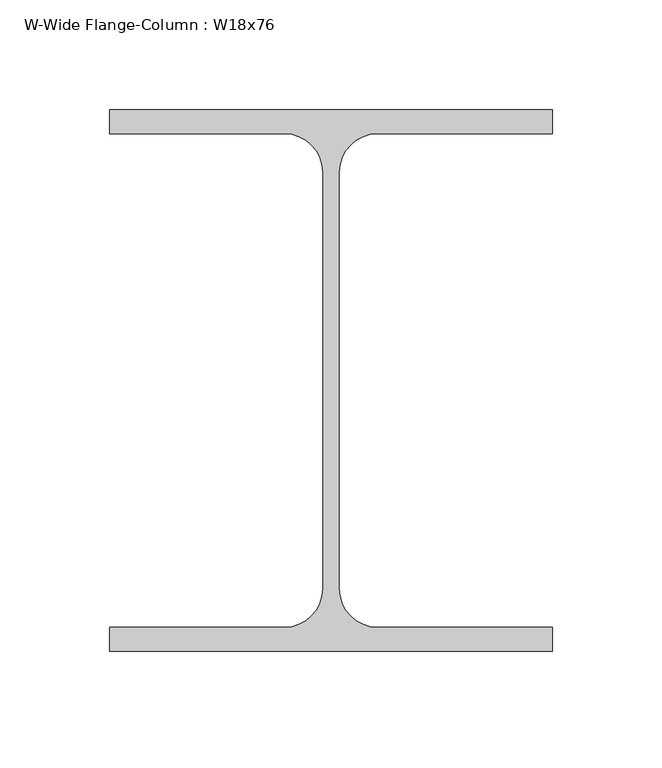
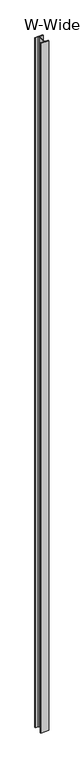
"""IFC4 building model written with IfcOpenShell, lengths in millimetres: column geometry, W-Wide Flange-Column : W18x76."""

import ifcopenshell
import ifcopenshell.guid

model = None  # the IFC model being written
_history = None  # IfcOwnerHistory: only IFC2X3 demands one
_inside = {}  # id of a spatial element -> (the spatial element, [elements in it])
_under = {}  # id of a project, library or spatial element -> (it, [spatial elements below it])
_declared = {}  # id of a project -> (the project, [libraries it declares])
_typed = {}  # id of a type object -> (the type object, [elements of that type])
_made_of = {}  # id of a material, layer set ... -> (it, [elements and type objects made of it])


def new_model(schema):
    """Start an empty IFC model of exactly this schema.

    Asked for "IFC4X3", IfcOpenShell would pick the latest addendum, in which some entities
    have other attributes; the version numbers below select the first issue.
    IFC2X3 requires an IfcOwnerHistory on every rooted entity: one is made here for all.
    """
    global model, _history
    if schema == "IFC4X3":
        model = ifcopenshell.file(schema_version=(4, 3, 0, 0))
    else:
        model = ifcopenshell.file(schema=schema)
    _inside.clear()
    _under.clear()
    _declared.clear()
    _typed.clear()
    _made_of.clear()
    _history = None
    if model.schema == "IFC2X3":
        org = make("IfcOrganization", Name="unknown")
        user = make(
            "IfcPersonAndOrganization",
            ThePerson=make("IfcPerson", FamilyName="unknown"),
            TheOrganization=org,
        )
        app = make(
            "IfcApplication",
            ApplicationDeveloper=org,
            Version="unknown",
            ApplicationFullName="unknown",
            ApplicationIdentifier="unknown",
        )
        _history = make(
            "IfcOwnerHistory",
            OwningUser=user,
            OwningApplication=app,
            ChangeAction="ADDED",
            CreationDate=0,
        )
    return model


def make(cls, **values):
    """One entity of the class cls with the attributes given. An attribute that is None is left unset."""
    return model.create_entity(
        cls, **{name: value for name, value in values.items() if value is not None}
    )


def rooted(cls, **values):
    """An entity with a GlobalId (a new one), such as an element, a storey or a relation."""
    return make(cls, GlobalId=ifcopenshell.guid.new(), OwnerHistory=_history, **values)


def si_unit(unit_type, name, prefix=None):
    """IfcSIUnit, for example si_unit("LENGTHUNIT", "METRE", prefix="MILLI")."""
    return make("IfcSIUnit", UnitType=unit_type, Prefix=prefix, Name=name)


def assignment(units):
    """IfcUnitAssignment: the units of a project."""
    return None if units is None else make("IfcUnitAssignment", Units=units)


def point(xyz):
    """IfcCartesianPoint."""
    return None if xyz is None else make("IfcCartesianPoint", Coordinates=xyz)


def direction(xyz):
    """IfcDirection."""
    return None if xyz is None else make("IfcDirection", DirectionRatios=xyz)


def frame(location, z_axis=None, x_axis=None):
    """IfcAxis2Placement3D, a coordinate frame: its origin and axes. An axis left out is left unset."""
    return make(
        "IfcAxis2Placement3D",
        Location=point(location),
        Axis=direction(z_axis),
        RefDirection=direction(x_axis),
    )


def frame_2d(location, x_axis=None):
    """IfcAxis2Placement2D, a coordinate frame in the plane: its origin and x axis."""
    return make(
        "IfcAxis2Placement2D", Location=point(location), RefDirection=direction(x_axis)
    )


def origin():
    """The frame at (0, 0, 0) with its axes left unset."""
    return frame((0.0, 0.0, 0.0))


def origin_with_axes():
    """The frame at (0, 0, 0) with the z axis (0, 0, 1) and the x axis (1, 0, 0) written out."""
    return frame((0.0, 0.0, 0.0), z_axis=(0.0, 0.0, 1.0), x_axis=(1.0, 0.0, 0.0))


def place(relative_to, where):
    """IfcLocalPlacement: puts the frame where relative to a parent placement (None: the world)."""
    return make(
        "IfcLocalPlacement", PlacementRelTo=relative_to, RelativePlacement=where
    )


def context(
    kind, dimensions, precision=None, world=None, true_north=None, identifier=None
):
    """IfcGeometricRepresentationContext, for example the 3D "Model" context."""
    return make(
        "IfcGeometricRepresentationContext",
        ContextIdentifier=identifier,
        ContextType=kind,
        CoordinateSpaceDimension=dimensions,
        Precision=precision,
        WorldCoordinateSystem=world,
        TrueNorth=true_north,
    )


def project(units=None, contexts=None):
    """IfcProject with its units and contexts."""
    return rooted(
        "IfcProject",
        Name="project",
        RepresentationContexts=contexts,
        UnitsInContext=assignment(units),
    )


def spatial(cls, under=None, at=None, **own):
    """A site, building, storey or space (cls), placed at a placement, below another one or the project."""
    s = rooted(cls, ObjectPlacement=at, **own)
    if under is not None:
        _under.setdefault(under.id(), (under, []))[1].append(s)
    return s


def polyline(points):
    """IfcPolyline through the points."""
    return make("IfcPolyline", Points=[point(p) for p in points])


def circle_curve(where, radius):
    """IfcCircle in the frame where."""
    return make("IfcCircle", Position=where, Radius=radius)


def trimmed(basis, trim1, trim2, sense, master):
    """IfcTrimmedCurve: the piece of a basis curve between two trims."""
    return make(
        "IfcTrimmedCurve",
        BasisCurve=basis,
        Trim1=trim1,
        Trim2=trim2,
        SenseAgreement=sense,
        MasterRepresentation=master,
    )


def segment(curve, same_sense, transition):
    """IfcCompositeCurveSegment."""
    return make(
        "IfcCompositeCurveSegment",
        Transition=transition,
        SameSense=same_sense,
        ParentCurve=curve,
    )


def composite_curve(segments, self_intersect=None):
    """IfcCompositeCurve: segments joined end to end."""
    return make("IfcCompositeCurve", Segments=segments, SelfIntersect=self_intersect)


def outline(outer, holes=None, kind="AREA"):
    """IfcArbitraryClosedProfileDef: a profile drawn as a closed curve; with holes, ...WithVoids."""
    if holes is None:
        return make("IfcArbitraryClosedProfileDef", ProfileType=kind, OuterCurve=outer)
    return make(
        "IfcArbitraryProfileDefWithVoids",
        ProfileType=kind,
        OuterCurve=outer,
        InnerCurves=holes,
    )


def extrude(swept, where, along, depth):
    """IfcExtrudedAreaSolid: the profile swept, set in the frame where, extruded along a direction by depth."""
    return make(
        "IfcExtrudedAreaSolid",
        SweptArea=swept,
        Position=where,
        ExtrudedDirection=direction(along),
        Depth=depth,
    )


def shape(context_of_items, identifier, shape_type, items):
    """IfcShapeRepresentation: the items that make up one representation, for example the "Body"."""
    return make(
        "IfcShapeRepresentation",
        ContextOfItems=context_of_items,
        RepresentationIdentifier=identifier,
        RepresentationType=shape_type,
        Items=items,
    )


def source(mapping_origin, context_of_items, identifier, shape_type, items):
    """IfcRepresentationMap: a shape defined once, which mapped items show again and again."""
    return make(
        "IfcRepresentationMap",
        MappingOrigin=mapping_origin,
        MappedRepresentation=shape(context_of_items, identifier, shape_type, items),
    )


def transform(
    local_origin,
    x_axis=None,
    y_axis=None,
    z_axis=None,
    scale=None,
    scale2=None,
    scale3=None,
    uniform=True,
):
    """IfcCartesianTransformationOperator3D, or its non-uniform kind. x_axis, y_axis, z_axis: its Axis1, 2, 3."""
    if uniform:
        return make(
            "IfcCartesianTransformationOperator3D",
            Axis1=direction(x_axis),
            Axis2=direction(y_axis),
            LocalOrigin=point(local_origin),
            Scale=scale,
            Axis3=direction(z_axis),
        )
    return make(
        "IfcCartesianTransformationOperator3DnonUniform",
        Axis1=direction(x_axis),
        Axis2=direction(y_axis),
        LocalOrigin=point(local_origin),
        Scale=scale,
        Axis3=direction(z_axis),
        Scale2=scale2,
        Scale3=scale3,
    )


def mapped(mapping_source, mapping_target):
    """IfcMappedItem: shows the shape of a source again, moved by a transform."""
    return make(
        "IfcMappedItem", MappingSource=mapping_source, MappingTarget=mapping_target
    )


def made_of(thing, what):
    """Note that an element or type object is made of a material, layer set ...; save() writes the relation."""
    if what is not None:
        _made_of.setdefault(what.id(), (what, []))[1].append(thing)
    return thing


def element(
    cls,
    number,
    at=None,
    inside=None,
    cuts=None,
    type_object=None,
    material=None,
    context=None,
    identifier="Body",
    shape_type=None,
    held_by="IfcProductDefinitionShape",
    body=None,
    shapes=None,
    **own,
):
    """One element of the class cls, such as IfcWall. Its Tag is "e" and its number.

    at: its placement. inside: the storey or other place that contains it. cuts: it is an
    opening in that element (IfcRelVoidsElement). A single representation is given by context,
    identifier, shape_type and body (its items); several are given by shapes. held_by: the class
    of the entity that holds the representations. save() writes the other relations.
    """
    e = rooted(cls, Tag="e%d" % number, ObjectPlacement=at, **own)
    if body is not None:
        shapes = [shape(context, identifier, shape_type, body)]
    if shapes is not None:
        e.Representation = make(held_by, Representations=shapes)
    if inside is not None:
        _inside.setdefault(inside.id(), (inside, []))[1].append(e)
    if cuts is not None:
        rooted(
            "IfcRelVoidsElement", RelatingBuildingElement=cuts, RelatedOpeningElement=e
        )
    if type_object is not None:
        _typed.setdefault(type_object.id(), (type_object, []))[1].append(e)
    return made_of(e, material)


def aggregate(whole, parts):
    """IfcRelAggregates: a whole, such as a stair, and the parts it consists of."""
    return rooted("IfcRelAggregates", RelatingObject=whole, RelatedObjects=parts)


def save(model, path):
    """Write the relations noted so far, then the file.

    IfcRelAggregates (storeys below a building ...), IfcRelContainedInSpatialStructure (elements
    in a storey), IfcRelDefinesByType, IfcRelAssociatesMaterial and IfcRelDeclares: one each for
    every whole, place, type object, material and project.
    """
    for whole, parts in _under.values():
        aggregate(whole, parts)
    for where, things in _inside.values():
        rooted(
            "IfcRelContainedInSpatialStructure",
            RelatedElements=things,
            RelatingStructure=where,
        )
    for kind, things in _typed.values():
        rooted("IfcRelDefinesByType", RelatedObjects=things, RelatingType=kind)
    for what, things in _made_of.values():
        rooted("IfcRelAssociatesMaterial", RelatedObjects=things, RelatingMaterial=what)
    for by, libraries in _declared.values():
        rooted("IfcRelDeclares", RelatingContext=by, RelatedDefinitions=libraries)
    model.write(path)


def w_wide_flange_column_w18x76_3943b35f(model_context):
    return source(origin(), model_context, "Body", "SweptSolid", [
        extrude(outline(composite_curve([segment(polyline([(101.1039062, 123.5769531), (101.1039062, 112.5636719), (21.2328125, 112.5636719)]), True, "CONTINUOUS"), segment(trimmed(circle_curve(frame_2d((21.2328125, 95.0019531)), 17.5617188), [point((21.2328125, 112.5636719))], [point((3.6710937, 95.0019531))], True, "CARTESIAN"), True, "CONTINUOUS"), segment(polyline([(3.6710937, 95.0019531), (3.6710937, -95.0019531)]), True, "CONTINUOUS"), segment(trimmed(circle_curve(frame_2d((21.2328125, -95.0019531)), 17.5617188), [point((3.6710937, -95.0019531))], [point((21.2328125, -112.5636719))], True, "CARTESIAN"), True, "CONTINUOUS"), segment(polyline([(21.2328125, -112.5636719), (101.1039062, -112.5636719), (101.1039062, -123.5769531), (-101.1039063, -123.5769531), (-101.1039063, -112.5636719), (-21.2328125, -112.5636719)]), True, "CONTINUOUS"), segment(trimmed(circle_curve(frame_2d((-21.2328125, -95.0019531)), 17.5617188), [point((-21.2328125, -112.5636719))], [point((-3.6710938, -95.0019531))], True, "CARTESIAN"), True, "CONTINUOUS"), segment(polyline([(-3.6710938, -95.0019531), (-3.6710938, 95.0019531)]), True, "CONTINUOUS"), segment(trimmed(circle_curve(frame_2d((-21.2328125, 95.0019531)), 17.5617188), [point((-3.6710938, 95.0019531))], [point((-21.2328125, 112.5636719))], True, "CARTESIAN"), True, "CONTINUOUS"), segment(polyline([(-21.2328125, 112.5636719), (-101.1039063, 112.5636719), (-101.1039063, 123.5769531), (101.1039062, 123.5769531)]), True, "CONTINUOUS")], self_intersect=False)), origin_with_axes(), (0.0, 0.0, 1.0), 18288.0),
    ])


if __name__ == "__main__":
    model = new_model("IFC4")
    model_context = context("Model", 3, world=origin())
    ifc_project = project(units=[si_unit("LENGTHUNIT", "METRE", prefix="MILLI")], contexts=[model_context])
    site = spatial("IfcSite", under=ifc_project)
    building = spatial("IfcBuilding", under=site)
    placement = place(None, origin())
    w_wide_flange_column_w18x76_shape = w_wide_flange_column_w18x76_3943b35f(model_context)
    element("IfcColumn", 1, ObjectType="W-Wide Flange-Column : W18x76", at=placement, inside=building, context=model_context, shape_type="MappedRepresentation", body=[
        mapped(w_wide_flange_column_w18x76_shape, transform((0.0, 0.0, 0.0), x_axis=(1.0, 0.0, 0.0), y_axis=(0.0, 1.0, 0.0), z_axis=(0.0, 0.0, 1.0))),
    ])
    save(model, "model.ifc")
